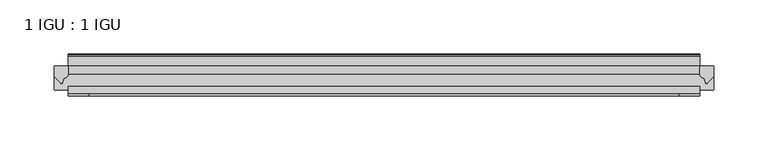
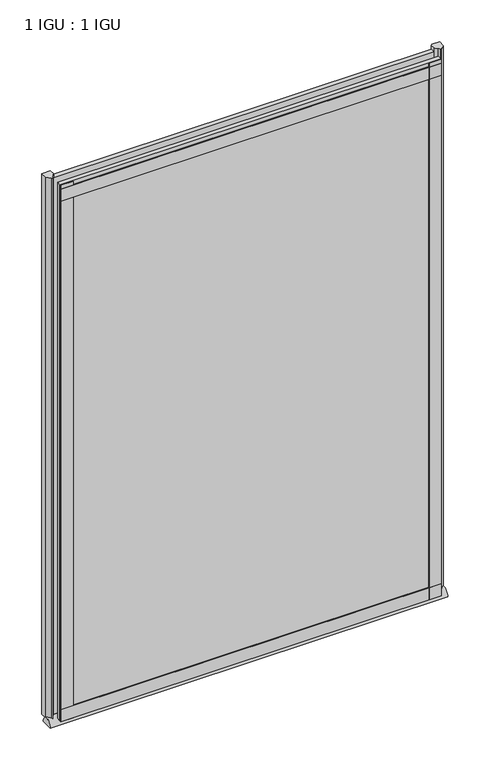
"""IFC4 building model written with IfcOpenShell, lengths in millimetres: plate geometry, 1 IGU : 1 IGU."""

from ifc_helpers import new_model, si_unit, point, frame, frame_2d, origin, place, context, project, spatial, polyline, circle_curve, ellipse_curve, trimmed, segment, composite_curve, outline, extrude, source, transform, mapped, element, save
from ifc_brep_helpers import plane_surface, extruded_surface, advanced_brep


def plate_1_igu_1_igu_ffc30f71(model_context):
    return source(origin(), model_context, "Body", "SolidModel", [
        extrude(outline(polyline([(292.1, -11.6085937), (292.1, -18.8576359), (-292.1, -18.8576359), (-292.1, -11.6085937), (292.1, -11.6085937)])), frame((0.0, 0.0, -19.05), z_axis=(0.0, 0.0, 1.0), x_axis=(1.0, 0.0, 0.0)), (0.0, 0.0, 1.0), 869.9409101),
        extrude(outline(polyline([(-292.1, -30.7093937), (292.1, -30.7093937), (292.1, -37.0085937), (-292.1, -37.0085937), (-292.1, -30.7093937)])), frame((0.0, 0.0, -19.05), z_axis=(0.0, 0.0, 1.0), x_axis=(1.0, 0.0, 0.0)), (0.0, 0.0, 1.0), 869.9409101),
        advanced_brep(
        [(304.8, -33.6472189, -28.575), (304.8, -14.9699686, -28.575), (-304.8, -33.6472189, -28.575), (-304.8, -14.9699686, -28.575)],
        [
            (0, 1),
            (1, 0, ellipse_curve(frame((304.8, -24.3085937, -28.575), z_axis=(1.0, 0.0, 0.0), x_axis=(0.0, 0.0, 1.0)), 10.6973372, 9.3386252)),
            (2, 3, ellipse_curve(frame((-304.8, -24.3085937, -28.575), z_axis=(-1.0, 0.0, 0.0), x_axis=(0.0, 0.0, 1.0)), 10.6973372, 9.3386252)),
            (3, 2),
            (0, 2),
            (3, 1),
        ],
        [
            plane_surface(frame((304.8, -9.2273438, -28.575), z_axis=(1.0, 0.0, 0.0), x_axis=(0.0, 1.0, 0.0))),
            plane_surface(frame((-304.8, -9.2273437, -28.575), z_axis=(-1.0, 0.0, 0.0), x_axis=(0.0, 1.0, 0.0))),
            plane_surface(frame((304.8, -33.6472189, -28.575), z_axis=(0.0, 0.0, -1.0), x_axis=(-1.0, 0.0, 0.0))),
            extruded_surface(trimmed(ellipse_curve(frame((-304.8, -24.3085937, -28.575), z_axis=(1.0, 0.0, 0.0), x_axis=(0.0, 0.0, 1.0)), 10.6973372, 9.3386252), [point((-304.8, -14.9699686, -28.575))], [point((-304.8, -33.6472189, -28.575))], True, "CARTESIAN"), (609.6, 0.0, 0.0), 609.6),
        ],
        [
            (0, [[1, 2]]),
            (1, [[3, 4]]),
            (2, [[-1, 5, -4, 6]]),
            (3, [[-2, -6, -3, -5]]),
        ],
    ),
        extrude(outline(composite_curve([segment(polyline([(305.1779091, -11.6101465), (304.8, -21.3502133), (298.8619467, -27.6095865)]), True, "CONTINUOUS"), segment(trimmed(circle_curve(frame_2d((298.1891407, -27.2518492)), 0.762), [point((298.8619467, -27.6095865))], [point((297.4604364, -27.4746364))], False, "CARTESIAN"), True, "CONTINUOUS"), segment(polyline([(297.4604364, -27.4746364), (296.1986019, -23.3488397)]), True, "CONTINUOUS"), segment(trimmed(circle_curve(frame_2d((298.380559, -16.3834724)), 7.2991286), [point((296.1986019, -23.3488397))], [point((292.1001786, -20.1028944))], False, "CARTESIAN"), True, "CONTINUOUS"), segment(polyline([(292.1001786, -20.1028944), (292.1001786, -12.664425)]), True, "CONTINUOUS"), segment(trimmed(circle_curve(frame_2d((298.3814331, -16.3827796)), 7.2993369), [point((292.1001786, -12.664425))], [point((292.858545, -11.6101465))], False, "CARTESIAN"), True, "CONTINUOUS"), segment(polyline([(292.858545, -11.6101465), (305.1779091, -11.6101465)]), True, "CONTINUOUS")], self_intersect=False)), frame((0.0, 0.0, -19.05), z_axis=(0.0, 0.0, 1.0), x_axis=(1.0, 0.0, 0.0)), (0.0, 0.0, 1.0), 877.0783101),
        extrude(outline(composite_curve([segment(polyline([(-292.1, -11.610702), (-292.1, -20.1014769)]), True, "CONTINUOUS"), segment(trimmed(circle_curve(frame_2d((-298.3811943, -16.3829847)), 7.2993552), [point((-292.1, -20.1014769))], [point((-296.1989498, -23.3484994))], False, "CARTESIAN"), True, "CONTINUOUS"), segment(polyline([(-296.1989498, -23.3484994), (-297.4604364, -27.4746364)]), True, "CONTINUOUS"), segment(trimmed(circle_curve(frame_2d((-298.1891407, -27.2518492)), 0.762), [point((-297.4604364, -27.4746364))], [point((-298.8619467, -27.6095865))], False, "CARTESIAN"), True, "CONTINUOUS"), segment(polyline([(-298.8619467, -27.6095865), (-304.8, -21.3502133), (-305.1779091, -11.610702), (-292.1, -11.610702)]), True, "CONTINUOUS")], self_intersect=False)), frame((0.0, 0.0, -19.05), z_axis=(0.0, 0.0, 1.0), x_axis=(1.0, 0.0, 0.0)), (0.0, 0.0, 1.0), 877.0783101),
        extrude(outline(polyline([(-292.1, -39.2945937), (-292.1, -37.0085937), (292.1, -37.0085937), (292.1, -39.2945937), (-292.1, -39.2945937)])), frame((0.0, 0.0, -19.05), z_axis=(0.0, 0.0, 1.0), x_axis=(1.0, 0.0, 0.0)), (0.0, 0.0, 1.0), 19.05),
        extrude(outline(composite_curve([segment(polyline([(-3.0995937, 840.8103314), (-3.0995937, 838.7783314), (-5.2585937, 838.7783314), (-5.2585937, 833.4443314), (-1.5755937, 833.4443314), (-1.5755937, 830.3963314), (-5.2585937, 830.3963314), (-5.2585937, 825.5703314), (-0.5298657, 826.2349108), (-0.4061408, 825.3545625)]), True, "CONTINUOUS"), segment(trimmed(circle_curve(frame_2d((-1.4122531, 825.2131626)), 1.016), [point((-0.4061408, 825.3545625))], [point((-1.2708533, 824.2070502))], False, "CARTESIAN"), True, "CONTINUOUS"), segment(polyline([(-1.2708533, 824.2070502), (-11.6085937, 822.7541756), (-11.6085937, 840.8103314), (-3.0995937, 840.8103314)]), True, "CONTINUOUS")], self_intersect=False)), frame((-292.1, 0.0, 0.0), z_axis=(1.0, 0.0, 0.0), x_axis=(0.0, 1.0, 0.0)), (0.0, 0.0, 1.0), 584.2),
        extrude(outline(polyline([(-292.1, -39.2945937), (-292.1, -37.0085937), (292.1, -37.0085937), (292.1, -39.2945937), (-292.1, -39.2945937)])), frame((0.0, 0.0, 825.4909101), z_axis=(0.0, 0.0, 1.0), x_axis=(1.0, 0.0, 0.0)), (0.0, 0.0, 1.0), 19.05),
        extrude(outline(polyline([(273.05, -37.0085937), (292.1, -37.0085937), (292.1, -39.2945938), (273.05, -39.2945938), (273.05, -37.0085937)])), frame((0.0, 0.0, -19.05), z_axis=(0.0, 0.0, 1.0), x_axis=(1.0, 0.0, 0.0)), (0.0, 0.0, 1.0), 869.9409101),
        extrude(outline(polyline([(-292.1, -39.2945937), (-292.1, -37.0085937), (-273.05, -37.0085937), (-273.05, -39.2945937), (-292.1, -39.2945937)])), frame((0.0, 0.0, -19.05), z_axis=(0.0, 0.0, 1.0), x_axis=(1.0, 0.0, 0.0)), (0.0, 0.0, 1.0), 869.9409101),
    ])


if __name__ == "__main__":
    model = new_model("IFC4")
    model_context = context("Model", 3, world=origin())
    ifc_project = project(units=[si_unit("LENGTHUNIT", "METRE", prefix="MILLI")], contexts=[model_context])
    site = spatial("IfcSite", under=ifc_project)
    building = spatial("IfcBuilding", under=site)
    placement = place(None, origin())
    plate_1_igu_1_igu_shape = plate_1_igu_1_igu_ffc30f71(model_context)
    element("IfcPlate", 1, ObjectType="1 IGU : 1 IGU", at=placement, inside=building, context=model_context, shape_type="MappedRepresentation", body=[
        mapped(plate_1_igu_1_igu_shape, transform((0.0, 0.0, 0.0), x_axis=(1.0, 0.0, 0.0), y_axis=(0.0, 1.0, 0.0), z_axis=(0.0, 0.0, 1.0))),
    ])
    save(model, "model.ifc")
